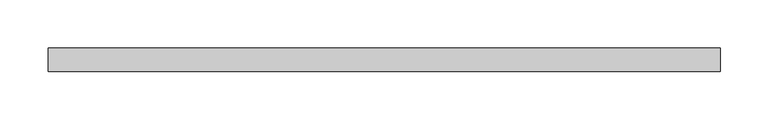
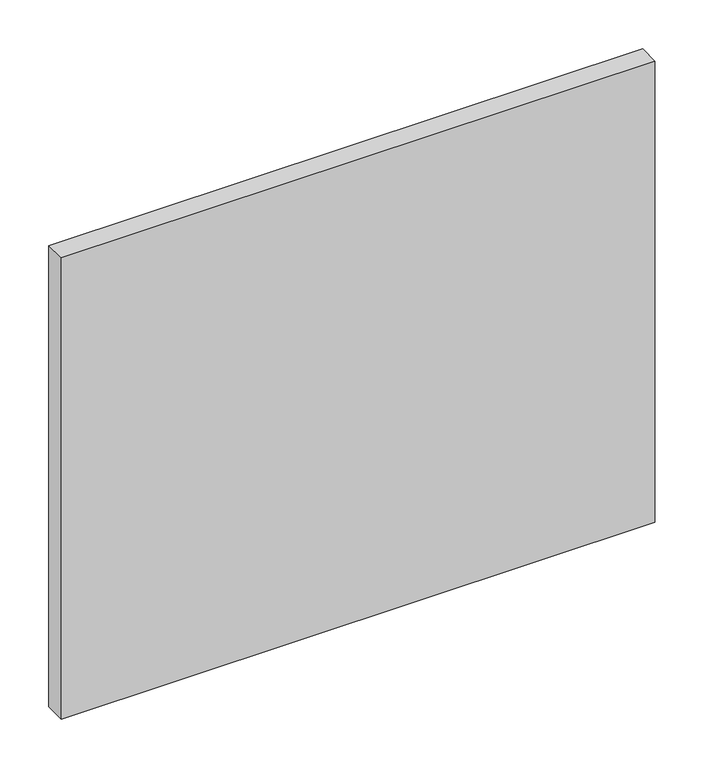
"""IFC4 building model written with IfcOpenShell, lengths in millimetres: plate geometry."""

from ifc_helpers import new_model, si_unit, origin, origin_with_axes, place, context, project, spatial, polyline, outline, extrude, source, transform, mapped, element, save


def plate_5d2237fd(model_context):
    return source(origin(), model_context, "Body", "SweptSolid", [
        extrude(outline(polyline([(350.0, -12.5), (-350.0, -12.5), (-350.0, 12.5), (350.0, 12.5), (350.0, -12.5)])), origin_with_axes(), (0.0, 0.0, 1.0), 575.0),
    ])


if __name__ == "__main__":
    model = new_model("IFC4")
    model_context = context("Model", 3, world=origin())
    ifc_project = project(units=[si_unit("LENGTHUNIT", "METRE", prefix="MILLI")], contexts=[model_context])
    site = spatial("IfcSite", under=ifc_project)
    building = spatial("IfcBuilding", under=site)
    placement = place(None, origin())
    plate_shape = plate_5d2237fd(model_context)
    element("IfcPlate", 1, at=placement, inside=building, context=model_context, shape_type="MappedRepresentation", body=[
        mapped(plate_shape, transform((0.0, 0.0, 0.0), x_axis=(1.0, 0.0, 0.0), y_axis=(0.0, 1.0, 0.0), z_axis=(0.0, 0.0, 1.0))),
    ])
    save(model, "model.ifc")
